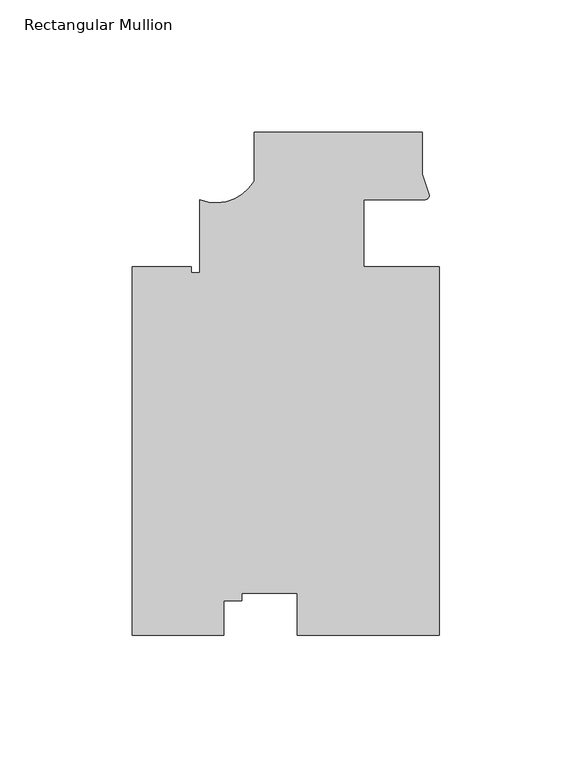
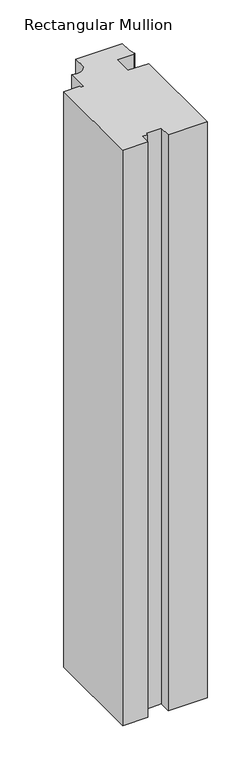
"""IFC4 building model written with IfcOpenShell, lengths in millimetres: member geometry, Rectangular Mullion."""

from ifc_helpers import new_model, si_unit, point, frame, frame_2d, origin, place, context, project, spatial, polyline, circle_curve, trimmed, segment, composite_curve, outline, extrude, source, transform, mapped, element, save


def rectangular_mullion_1ba911ec(model_context):
    return source(origin(), model_context, "Body", "SweptSolid", [
        extrude(outline(composite_curve([segment(polyline([(26.788756, -12.7927841), (26.8074563, -151.9843304), (-26.8075892, -151.9915335), (-26.8097251, -136.0931292), (-47.7563779, -136.0959434), (-47.7559944, -138.9505486), (-54.613994, -138.95147), (-54.6122416, -151.9952691), (-89.1033522, -151.9999029), (-89.1220525, -12.8083567), (-66.8970993, -12.8049183), (-66.8967457, -15.0909182), (-63.7218451, -15.0904917), (-63.7255647, 12.5955025)]), True, "CONTINUOUS"), segment(trimmed(circle_curve(frame_2d((-57.4727252, 28.1294282)), 16.7451739), [point((-63.7255647, 12.5955025))], [point((-43.0655959, 19.5950579))], True, "CARTESIAN"), True, "CONTINUOUS"), segment(polyline([(-43.0655959, 19.5950579), (-43.0680684, 37.9982836), (20.431931, 38.0068148), (20.4340638, 22.1319126), (23.0859853, 14.1956004)]), True, "CONTINUOUS"), segment(trimmed(circle_curve(frame_2d((21.3863522, 14.3083548)), 1.703369), [point((23.0859853, 14.1956004))], [point((21.4694723, 12.607015))], False, "CARTESIAN"), True, "CONTINUOUS"), segment(trimmed(circle_curve(frame_2d((16.1965279, -448.4015783)), 461.0387479), [point((21.4694723, 12.607015))], [point((-1.7896136, 12.2861964))], True, "CARTESIAN"), True, "CONTINUOUS"), segment(polyline([(-1.7896136, 12.2861964), (-1.7862438, -12.7960414), (26.788756, -12.7927841)]), True, "CONTINUOUS")], self_intersect=False)), frame((0.0, 0.0, -831.8500061), z_axis=(0.0, 0.0, 1.0), x_axis=(1.0, 0.0, 0.0)), (0.0, 0.0, 1.0), 831.8500061),
    ])


if __name__ == "__main__":
    model = new_model("IFC4")
    model_context = context("Model", 3, world=origin())
    ifc_project = project(units=[si_unit("LENGTHUNIT", "METRE", prefix="MILLI")], contexts=[model_context])
    site = spatial("IfcSite", under=ifc_project)
    building = spatial("IfcBuilding", under=site)
    placement = place(None, origin())
    rectangular_mullion_shape = rectangular_mullion_1ba911ec(model_context)
    element("IfcMember", 1, ObjectType="Rectangular Mullion", at=placement, inside=building, context=model_context, shape_type="MappedRepresentation", body=[
        mapped(rectangular_mullion_shape, transform((0.0, 0.0, 0.0), x_axis=(1.0, 0.0, 0.0), y_axis=(0.0, 1.0, 0.0), z_axis=(0.0, 0.0, 1.0))),
    ])
    save(model, "model.ifc")
